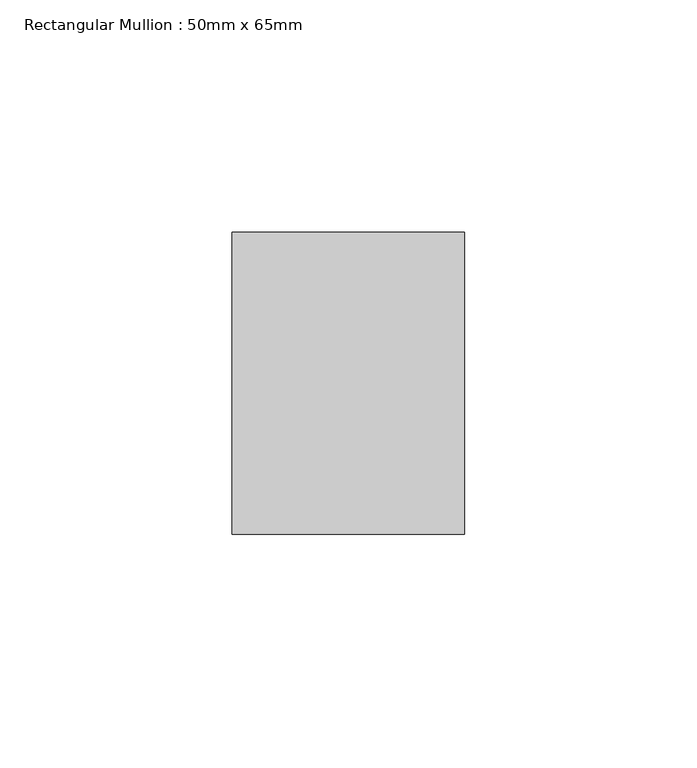
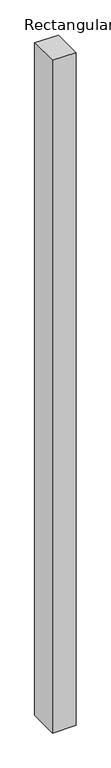
"""IFC4 building model written with IfcOpenShell, lengths in millimetres: member geometry, Rectangular Mullion : 50mm x 65mm."""

from ifc_helpers import new_model, si_unit, origin, place, context, project, spatial, faceted_brep, source, transform, mapped, element, save


def rectangular_mullion_50mm_x_65mm_b0c776f9(model_context):
    return source(origin(), model_context, "Body", "Brep", [
        faceted_brep([(-25.0, 32.5, -0.2027392), (25.0, 32.5, -0.2027387), (25.0, 32.5, -1499.8929686), (-25.0, 32.5, -1499.8929683), (-25.0, -32.5, 0.2027387), (-25.0, -32.5, -1500.1076312), (25.0, -32.5, 0.2027392), (25.0, -32.5, -1500.1076315)], [[[0, 1, 2, 3]], [[4, 0, 3, 5]], [[6, 4, 5, 7]], [[1, 6, 7, 2]], [[1, 0, 4, 6]], [[2, 7, 5, 3]]]),
    ])


if __name__ == "__main__":
    model = new_model("IFC4")
    model_context = context("Model", 3, world=origin())
    ifc_project = project(units=[si_unit("LENGTHUNIT", "METRE", prefix="MILLI")], contexts=[model_context])
    site = spatial("IfcSite", under=ifc_project)
    building = spatial("IfcBuilding", under=site)
    placement = place(None, origin())
    rectangular_mullion_50mm_x_65mm_shape = rectangular_mullion_50mm_x_65mm_b0c776f9(model_context)
    element("IfcMember", 1, ObjectType="Rectangular Mullion : 50mm x 65mm", at=placement, inside=building, context=model_context, shape_type="MappedRepresentation", body=[
        mapped(rectangular_mullion_50mm_x_65mm_shape, transform((0.0, 0.0, 0.0), x_axis=(1.0, 0.0, 0.0), y_axis=(0.0, 1.0, 0.0), z_axis=(0.0, 0.0, 1.0))),
    ])
    save(model, "model.ifc")
